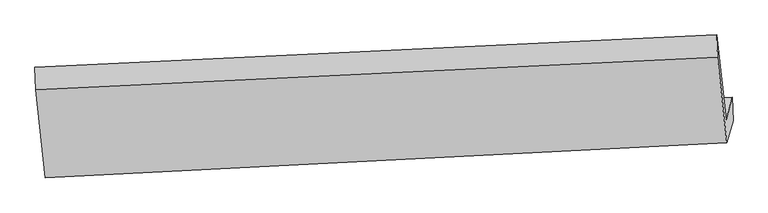
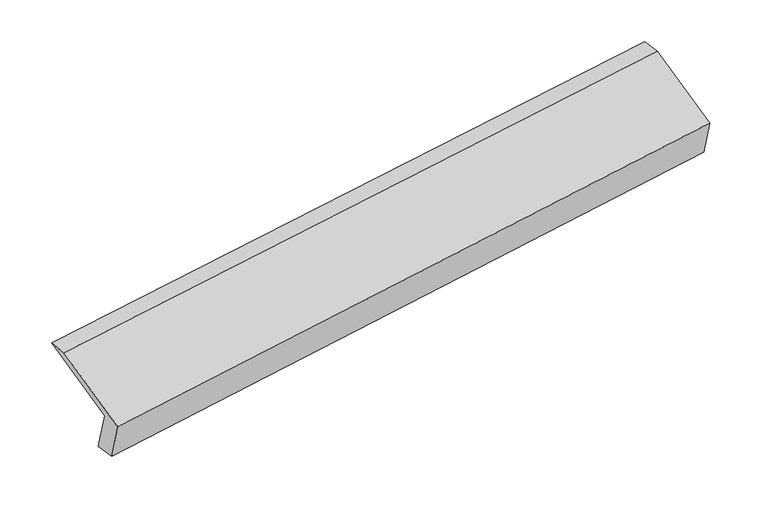
"""IFC4 building model written with IfcOpenShell, lengths in millimetres: proxy geometry."""

from ifc_helpers import new_model, si_unit, frame, origin, place, context, project, spatial, source, transform, mapped, element, save
from ifc_brep_helpers import plane_surface, spline_surface, advanced_brep


def generic_models_d6fbc504(model_context):
    return source(origin(), model_context, "Body", "AdvancedBrep", [
        advanced_brep(
        [(-5214.1722531, -1631.6217353, 1233.5761082), (-5260.1028361, -1796.3069393, 1604.5628948), (-453.5552319, -1560.3112, 2304.4059874), (-408.749055, -1399.657581, 1942.5011628), (-5209.5200467, -1810.1660619, 1259.6401221), (-403.9730535, -1565.0309189, 1963.4164165), (-5253.3755051, -1967.4108571, 1613.8658803), (-447.8285119, -1722.275714, 2317.6421747), (-5321.3431006, -1346.6068843, 1881.0329094), (-513.7948853, -1119.7505488, 2576.9428001), (-5326.6824491, -1188.1805526, 1866.2740423), (-519.1342339, -961.3242171, 2562.183933)],
        [
            (0, 1),
            (1, 2),
            (2, 3),
            (3, 0),
            (4, 0),
            (3, 5),
            (5, 4),
            (6, 4),
            (5, 7),
            (7, 6),
            (8, 6),
            (7, 9),
            (9, 8),
            (10, 8),
            (9, 11),
            (11, 10),
            (1, 10),
            (11, 2),
        ],
        [
            plane_surface(frame((-5237.1375446, -1713.9643373, 1419.0695015), z_axis=(-0.10209382441046563, 0.9138425121704119, 0.39302508058305347), x_axis=(-0.11244061062451208, -0.4031584992471629, 0.908196197727761))),
            spline_surface(1, 1, [[(-5209.5200467, -1810.1660619, 1259.6401221), (-403.9730535, -1565.0309189, 1963.4164165)], [(-5214.1722531, -1631.6217353, 1233.5761082), (-408.749055, -1399.657581, 1942.5011628)]], [2, 2], [2, 2], [0.0, 1.0], [0.0, 1.0]),
            plane_surface(frame((-5231.4477759, -1888.7884595, 1436.7530012), z_axis=(0.10412609794003311, -0.9137407872563188, -0.39272831503723477), x_axis=(0.11244061062448792, 0.4031584992471555, -0.9081961977277673))),
            plane_surface(frame((-5287.3593028, -1657.0088707, 1747.4493948), z_axis=(-0.11244061062448756, -0.4031584992471585, 0.9081961977277662), x_axis=(0.10006110197880624, -0.9139403736638956, -0.3933201866900376))),
            plane_surface(frame((-5324.0127748, -1267.3937185, 1873.6534759), z_axis=(-0.14673207674243394, 0.0868497502270254, 0.98535618866497), x_axis=(0.033538227467718985, -0.9951285861704605, 0.09270536276129793))),
            plane_surface(frame((-5293.3926426, -1492.243746, 1735.4184686), z_axis=(0.11244061062448661, 0.40315849924716474, -0.9081961977277635), x_axis=(-0.1000611019788072, 0.9139403736638928, 0.3933201866900438))),
            plane_surface(frame((-457.8391619, -1388.0583633, 2277.8487458), z_axis=(0.9886075485010113, 0.04664995039523679, 0.14310449739593317), x_axis=(0.10006110197880624, -0.9139403736638956, -0.3933201866900376))),
            plane_surface(frame((-5264.1993651, -1623.3821718, 1576.4919928), z_axis=(-0.9886075485010087, -0.046649950395228186, -0.14310449739595435), x_axis=(0.11244061062451, 0.4031584992471627, -0.9081961977277614))),
        ],
        [
            (0, [[1, 2, 3, 4]]),
            (1, [[5, -4, 6, 7]]),
            (2, [[8, -7, 9, 10]]),
            (3, [[11, -10, 12, 13]]),
            (4, [[14, -13, 15, 16]]),
            (5, [[17, -16, 18, -2]]),
            (6, [[-12, -9, -6, -3, -18, -15]]),
            (7, [[-1, -5, -8, -11, -14, -17]]),
        ],
    ),
    ])


if __name__ == "__main__":
    model = new_model("IFC4")
    model_context = context("Model", 3, world=origin())
    ifc_project = project(units=[si_unit("LENGTHUNIT", "METRE", prefix="MILLI")], contexts=[model_context])
    site = spatial("IfcSite", under=ifc_project)
    building = spatial("IfcBuilding", under=site)
    placement = place(None, origin())
    generic_models_shape = generic_models_d6fbc504(model_context)
    element("IfcBuildingElementProxy", 1, Name="Generic Models", at=placement, inside=building, context=model_context, shape_type="MappedRepresentation", body=[
        mapped(generic_models_shape, transform((0.0, 0.0, 0.0), x_axis=(1.0, 0.0, 0.0), y_axis=(0.0, 1.0, 0.0), z_axis=(0.0, 0.0, 1.0))),
    ])
    save(model, "model.ifc")
